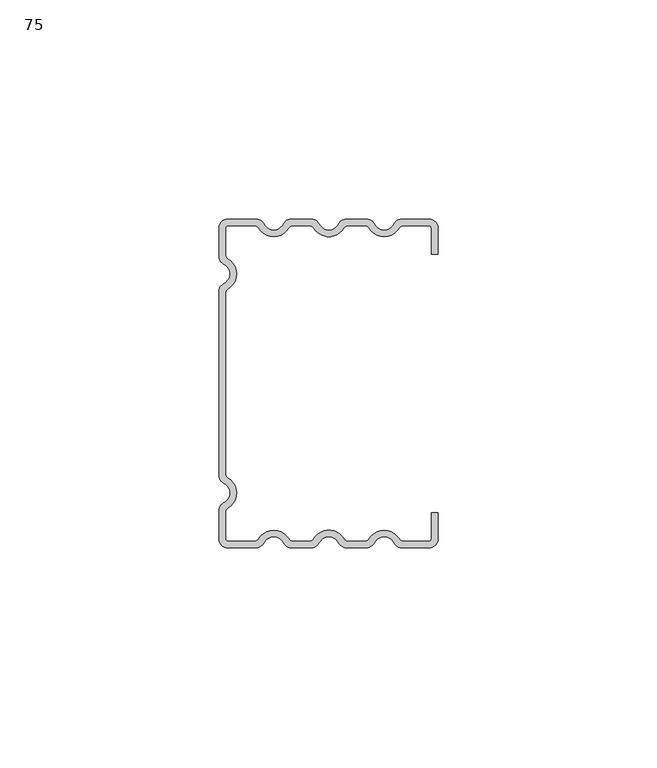
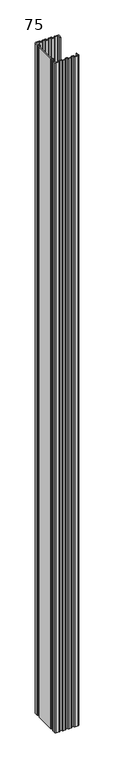
"""IFC4 building model written with IfcOpenShell, lengths in millimetres: proxy geometry, 75."""

from ifc_helpers import new_model, si_unit, point, frame_2d, origin, origin_with_axes, place, context, project, spatial, polyline, circle_curve, trimmed, segment, composite_curve, outline, extrude, source, transform, mapped, element, save


def proxy_75_0361f92e(model_context):
    return source(origin(), model_context, "Body", "SweptSolid", [
        extrude(outline(composite_curve([segment(polyline([(50.0, -29.5), (50.0, -35.5)]), True, "CONTINUOUS"), segment(trimmed(circle_curve(frame_2d((48.0, -35.5)), 2.0), [point((50.0, -35.5))], [point((48.0, -37.5))], False, "CARTESIAN"), True, "CONTINUOUS"), segment(polyline([(48.0, -37.5), (41.7650806, -37.5)]), True, "CONTINUOUS"), segment(trimmed(circle_curve(frame_2d((41.7650806, -35.5)), 2.0), [point((41.7650806, -37.5))], [point((39.9734678, -36.3888889))], False, "CARTESIAN"), True, "CONTINUOUS"), segment(trimmed(circle_curve(frame_2d((37.7339517, -37.5)), 2.5), [point((39.9734678, -36.3888889))], [point((35.4944357, -36.3888889))], True, "CARTESIAN"), True, "CONTINUOUS"), segment(trimmed(circle_curve(frame_2d((33.7028228, -35.5)), 2.0), [point((35.4944357, -36.3888889))], [point((33.7028228, -37.5))], False, "CARTESIAN"), True, "CONTINUOUS"), segment(polyline([(33.7028228, -37.5), (29.1481047, -37.5)]), True, "CONTINUOUS"), segment(trimmed(circle_curve(frame_2d((29.1481047, -35.5)), 2.0), [point((29.1481047, -37.5))], [point((27.3564919, -36.3888889))], False, "CARTESIAN"), True, "CONTINUOUS"), segment(trimmed(circle_curve(frame_2d((25.1169759, -37.5)), 2.5), [point((27.3564919, -36.3888889))], [point((22.8774598, -36.3888889))], True, "CARTESIAN"), True, "CONTINUOUS"), segment(trimmed(circle_curve(frame_2d((21.085847, -35.5)), 2.0), [point((22.8774598, -36.3888889))], [point((21.085847, -37.5))], False, "CARTESIAN"), True, "CONTINUOUS"), segment(polyline([(21.085847, -37.5), (16.5311289, -37.5)]), True, "CONTINUOUS"), segment(trimmed(circle_curve(frame_2d((16.5311289, -35.5)), 2.0), [point((16.5311289, -37.5))], [point((14.739516, -36.3888889))], False, "CARTESIAN"), True, "CONTINUOUS"), segment(trimmed(circle_curve(frame_2d((12.5, -37.5)), 2.5), [point((14.739516, -36.3888889))], [point((10.260484, -36.3888889))], True, "CARTESIAN"), True, "CONTINUOUS"), segment(trimmed(circle_curve(frame_2d((8.4688711, -35.5)), 2.0), [point((10.260484, -36.3888889))], [point((8.4688711, -37.5))], False, "CARTESIAN"), True, "CONTINUOUS"), segment(polyline([(8.4688711, -37.5), (2.0, -37.5)]), True, "CONTINUOUS"), segment(trimmed(circle_curve(frame_2d((2.0, -35.5)), 2.0), [point((2.0, -37.5))], [point((0.0, -35.5))], False, "CARTESIAN"), True, "CONTINUOUS"), segment(polyline([(0.0, -35.5), (0.0, -29.0311289)]), True, "CONTINUOUS"), segment(trimmed(circle_curve(frame_2d((2.0, -29.0311289)), 2.0), [point((0.0, -29.0311289))], [point((1.1111111, -27.239516))], False, "CARTESIAN"), True, "CONTINUOUS"), segment(trimmed(circle_curve(frame_2d((0.0, -25.0)), 2.5), [point((1.1111111, -27.239516))], [point((1.1111111, -22.760484))], True, "CARTESIAN"), True, "CONTINUOUS"), segment(trimmed(circle_curve(frame_2d((2.0, -20.9688711)), 2.0), [point((1.1111111, -22.760484))], [point((0.0, -20.9688711))], False, "CARTESIAN"), True, "CONTINUOUS"), segment(polyline([(0.0, -20.9688711), (0.0, 20.9688711)]), True, "CONTINUOUS"), segment(trimmed(circle_curve(frame_2d((2.0, 20.9688711)), 2.0), [point((0.0, 20.9688711))], [point((1.1111111, 22.760484))], False, "CARTESIAN"), True, "CONTINUOUS"), segment(trimmed(circle_curve(frame_2d((0.0, 25.0)), 2.5), [point((1.1111111, 22.760484))], [point((1.1111111, 27.239516))], True, "CARTESIAN"), True, "CONTINUOUS"), segment(trimmed(circle_curve(frame_2d((2.0, 29.0311289)), 2.0), [point((1.1111111, 27.239516))], [point((0.0, 29.0311289))], False, "CARTESIAN"), True, "CONTINUOUS"), segment(polyline([(0.0, 29.0311289), (0.0, 35.5)]), True, "CONTINUOUS"), segment(trimmed(circle_curve(frame_2d((2.0, 35.5)), 2.0), [point((0.0, 35.5))], [point((2.0, 37.5))], False, "CARTESIAN"), True, "CONTINUOUS"), segment(polyline([(2.0, 37.5), (8.4688711, 37.5)]), True, "CONTINUOUS"), segment(trimmed(circle_curve(frame_2d((8.4688711, 35.5)), 2.0), [point((8.4688711, 37.5))], [point((10.260484, 36.3888889))], False, "CARTESIAN"), True, "CONTINUOUS"), segment(trimmed(circle_curve(frame_2d((12.5, 37.5)), 2.5), [point((10.260484, 36.3888889))], [point((14.739516, 36.3888889))], True, "CARTESIAN"), True, "CONTINUOUS"), segment(trimmed(circle_curve(frame_2d((16.5311289, 35.5)), 2.0), [point((14.739516, 36.3888889))], [point((16.5311289, 37.5))], False, "CARTESIAN"), True, "CONTINUOUS"), segment(polyline([(16.5311289, 37.5), (21.085847, 37.5)]), True, "CONTINUOUS"), segment(trimmed(circle_curve(frame_2d((21.085847, 35.5)), 2.0), [point((21.085847, 37.5))], [point((22.8774598, 36.3888889))], False, "CARTESIAN"), True, "CONTINUOUS"), segment(trimmed(circle_curve(frame_2d((25.1169759, 37.5)), 2.5), [point((22.8774598, 36.3888889))], [point((27.3564919, 36.3888889))], True, "CARTESIAN"), True, "CONTINUOUS"), segment(trimmed(circle_curve(frame_2d((29.1481047, 35.5)), 2.0), [point((27.3564919, 36.3888889))], [point((29.1481047, 37.5))], False, "CARTESIAN"), True, "CONTINUOUS"), segment(polyline([(29.1481047, 37.5), (33.7028228, 37.5)]), True, "CONTINUOUS"), segment(trimmed(circle_curve(frame_2d((33.7028228, 35.5)), 2.0), [point((33.7028228, 37.5))], [point((35.4944357, 36.3888889))], False, "CARTESIAN"), True, "CONTINUOUS"), segment(trimmed(circle_curve(frame_2d((37.7339517, 37.5)), 2.5), [point((35.4944357, 36.3888889))], [point((39.9734678, 36.3888889))], True, "CARTESIAN"), True, "CONTINUOUS"), segment(trimmed(circle_curve(frame_2d((41.7650806, 35.5)), 2.0), [point((39.9734678, 36.3888889))], [point((41.7650806, 37.5))], False, "CARTESIAN"), True, "CONTINUOUS"), segment(polyline([(41.7650806, 37.5), (48.0, 37.5)]), True, "CONTINUOUS"), segment(trimmed(circle_curve(frame_2d((48.0, 35.5)), 2.0), [point((48.0, 37.5))], [point((50.0, 35.5))], False, "CARTESIAN"), True, "CONTINUOUS"), segment(polyline([(50.0, 35.5), (50.0, 29.5), (48.5, 29.5), (48.5, 35.5)]), True, "CONTINUOUS"), segment(trimmed(circle_curve(frame_2d((48.0, 35.5)), 0.5), [point((48.5, 35.5))], [point((48.0, 36.0))], True, "CARTESIAN"), True, "CONTINUOUS"), segment(polyline([(48.0, 36.0), (42.0640787, 36.0)]), True, "CONTINUOUS"), segment(trimmed(circle_curve(frame_2d((42.0640787, 35.0)), 1.0), [point((42.0640787, 36.0))], [point((41.1980533, 35.5))], True, "CARTESIAN"), True, "CONTINUOUS"), segment(trimmed(circle_curve(frame_2d((37.7339517, 37.5)), 4.0), [point((41.1980533, 35.5))], [point((34.2698501, 35.5))], False, "CARTESIAN"), True, "CONTINUOUS"), segment(trimmed(circle_curve(frame_2d((33.4038247, 35.0)), 1.0), [point((34.2698501, 35.5))], [point((33.4038247, 36.0))], True, "CARTESIAN"), True, "CONTINUOUS"), segment(polyline([(33.4038247, 36.0), (29.4471029, 36.0)]), True, "CONTINUOUS"), segment(trimmed(circle_curve(frame_2d((29.4471029, 35.0)), 1.0), [point((29.4471029, 36.0))], [point((28.5810775, 35.5))], True, "CARTESIAN"), True, "CONTINUOUS"), segment(trimmed(circle_curve(frame_2d((25.1169759, 37.5)), 4.0), [point((28.5810775, 35.5))], [point((21.6528742, 35.5))], False, "CARTESIAN"), True, "CONTINUOUS"), segment(trimmed(circle_curve(frame_2d((20.7868488, 35.0)), 1.0), [point((21.6528742, 35.5))], [point((20.7868488, 36.0))], True, "CARTESIAN"), True, "CONTINUOUS"), segment(polyline([(20.7868488, 36.0), (16.830127, 36.0)]), True, "CONTINUOUS"), segment(trimmed(circle_curve(frame_2d((16.830127, 35.0)), 1.0), [point((16.830127, 36.0))], [point((15.9641016, 35.5))], True, "CARTESIAN"), True, "CONTINUOUS"), segment(trimmed(circle_curve(frame_2d((12.5, 37.5)), 4.0), [point((15.9641016, 35.5))], [point((9.0358984, 35.5))], False, "CARTESIAN"), True, "CONTINUOUS"), segment(trimmed(circle_curve(frame_2d((8.169873, 35.0)), 1.0), [point((9.0358984, 35.5))], [point((8.169873, 36.0))], True, "CARTESIAN"), True, "CONTINUOUS"), segment(polyline([(8.169873, 36.0), (2.0, 36.0)]), True, "CONTINUOUS"), segment(trimmed(circle_curve(frame_2d((2.0, 35.5)), 0.5), [point((2.0, 36.0))], [point((1.5, 35.5))], True, "CARTESIAN"), True, "CONTINUOUS"), segment(polyline([(1.5, 35.5), (1.5, 29.330127)]), True, "CONTINUOUS"), segment(trimmed(circle_curve(frame_2d((2.5, 29.330127)), 1.0), [point((1.5, 29.330127))], [point((2.0, 28.4641016))], True, "CARTESIAN"), True, "CONTINUOUS"), segment(trimmed(circle_curve(frame_2d((0.0, 25.0)), 4.0), [point((2.0, 28.4641016))], [point((2.0, 21.5358984))], False, "CARTESIAN"), True, "CONTINUOUS"), segment(trimmed(circle_curve(frame_2d((2.5, 20.669873)), 1.0), [point((2.0, 21.5358984))], [point((1.5, 20.669873))], True, "CARTESIAN"), True, "CONTINUOUS"), segment(polyline([(1.5, 20.669873), (1.5, -20.669873)]), True, "CONTINUOUS"), segment(trimmed(circle_curve(frame_2d((2.5, -20.669873)), 1.0), [point((1.5, -20.669873))], [point((2.0, -21.5358984))], True, "CARTESIAN"), True, "CONTINUOUS"), segment(trimmed(circle_curve(frame_2d((0.0, -25.0)), 4.0), [point((2.0, -21.5358984))], [point((2.0, -28.4641016))], False, "CARTESIAN"), True, "CONTINUOUS"), segment(trimmed(circle_curve(frame_2d((2.5, -29.330127)), 1.0), [point((2.0, -28.4641016))], [point((1.5, -29.330127))], True, "CARTESIAN"), True, "CONTINUOUS"), segment(polyline([(1.5, -29.330127), (1.5, -35.5)]), True, "CONTINUOUS"), segment(trimmed(circle_curve(frame_2d((2.0, -35.5)), 0.5), [point((1.5, -35.5))], [point((2.0, -36.0))], True, "CARTESIAN"), True, "CONTINUOUS"), segment(polyline([(2.0, -36.0), (8.169873, -36.0)]), True, "CONTINUOUS"), segment(trimmed(circle_curve(frame_2d((8.169873, -35.0)), 1.0), [point((8.169873, -36.0))], [point((9.0358984, -35.5))], True, "CARTESIAN"), True, "CONTINUOUS"), segment(trimmed(circle_curve(frame_2d((12.5, -37.5)), 4.0), [point((9.0358984, -35.5))], [point((15.9641016, -35.5))], False, "CARTESIAN"), True, "CONTINUOUS"), segment(trimmed(circle_curve(frame_2d((16.830127, -35.0)), 1.0), [point((15.9641016, -35.5))], [point((16.830127, -36.0))], True, "CARTESIAN"), True, "CONTINUOUS"), segment(polyline([(16.830127, -36.0), (20.7868488, -36.0)]), True, "CONTINUOUS"), segment(trimmed(circle_curve(frame_2d((20.7868488, -35.0)), 1.0), [point((20.7868488, -36.0))], [point((21.6528742, -35.5))], True, "CARTESIAN"), True, "CONTINUOUS"), segment(trimmed(circle_curve(frame_2d((25.1169759, -37.5)), 4.0), [point((21.6528742, -35.5))], [point((28.5810775, -35.5))], False, "CARTESIAN"), True, "CONTINUOUS"), segment(trimmed(circle_curve(frame_2d((29.4471029, -35.0)), 1.0), [point((28.5810775, -35.5))], [point((29.4471029, -36.0))], True, "CARTESIAN"), True, "CONTINUOUS"), segment(polyline([(29.4471029, -36.0), (33.4038247, -36.0)]), True, "CONTINUOUS"), segment(trimmed(circle_curve(frame_2d((33.4038247, -35.0)), 1.0), [point((33.4038247, -36.0))], [point((34.2698501, -35.5))], True, "CARTESIAN"), True, "CONTINUOUS"), segment(trimmed(circle_curve(frame_2d((37.7339517, -37.5)), 4.0), [point((34.2698501, -35.5))], [point((41.1980533, -35.5))], False, "CARTESIAN"), True, "CONTINUOUS"), segment(trimmed(circle_curve(frame_2d((42.0640787, -35.0)), 1.0), [point((41.1980533, -35.5))], [point((42.0640787, -36.0))], True, "CARTESIAN"), True, "CONTINUOUS"), segment(polyline([(42.0640787, -36.0), (48.0, -36.0)]), True, "CONTINUOUS"), segment(trimmed(circle_curve(frame_2d((48.0, -35.5)), 0.5), [point((48.0, -36.0))], [point((48.5, -35.5))], True, "CARTESIAN"), True, "CONTINUOUS"), segment(polyline([(48.5, -35.5), (48.5, -29.5), (50.0, -29.5)]), True, "CONTINUOUS")], self_intersect=False)), origin_with_axes(), (0.0, 0.0, 1.0), 1500.0),
    ])


if __name__ == "__main__":
    model = new_model("IFC4")
    model_context = context("Model", 3, world=origin())
    ifc_project = project(units=[si_unit("LENGTHUNIT", "METRE", prefix="MILLI")], contexts=[model_context])
    site = spatial("IfcSite", under=ifc_project)
    building = spatial("IfcBuilding", under=site)
    placement = place(None, origin())
    proxy_75_shape = proxy_75_0361f92e(model_context)
    element("IfcBuildingElementProxy", 1, Name="75", ObjectType="75", at=placement, inside=building, context=model_context, shape_type="MappedRepresentation", body=[
        mapped(proxy_75_shape, transform((0.0, 0.0, 0.0), x_axis=(1.0, 0.0, 0.0), y_axis=(0.0, 1.0, 0.0), z_axis=(0.0, 0.0, 1.0))),
    ])
    save(model, "model.ifc")
